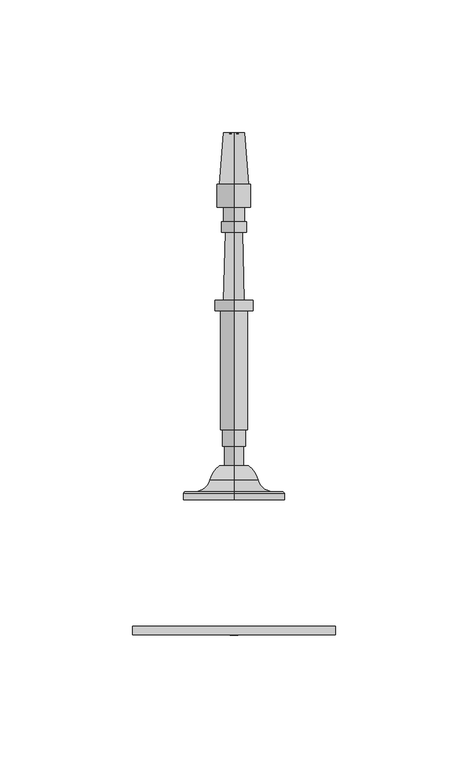
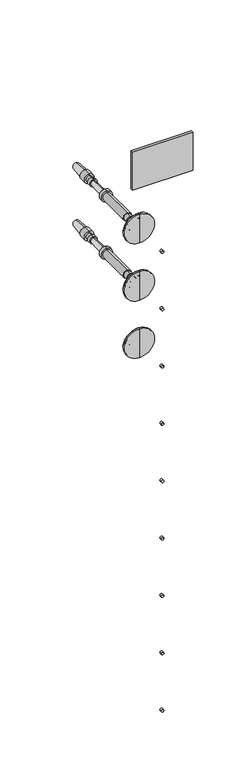
"""IFC4 building model written with IfcOpenShell, lengths in millimetres: railing geometry."""

from ifc_helpers import new_model, si_unit, point, frame, frame_2d, origin, place, context, project, spatial, polyline, circle_curve, ellipse_curve, trimmed, segment, composite_curve, outline, extrude, source, transform, mapped, element, save
from ifc_brep_helpers import plane_surface, cylinder_surface, revolved_surface, advanced_brep


def railing_0356c640(model_context):
    return source(origin(), model_context, "Body", "SolidModel", [
        extrude(outline(polyline([(4135.5568095, 16704.7487645), (4059.3568095, 16704.7487645), (4059.3568095, 16707.9237645), (4135.5568095, 16707.9237645), (4135.5568095, 16704.7487645)])), frame((0.0, 0.0, 33390.9789063), z_axis=(0.0, 0.0, 1.0), x_axis=(1.0, 0.0, 0.0)), (0.0, 0.0, 1.0), 50.8),
        extrude(outline(composite_curve([segment(trimmed(circle_curve(frame_2d((33295.7289062, 4097.4568095)), 1.5379197), [point((33295.7289062, 4098.9947293))], [point((33295.7289062, 4095.9188898))], False, "CARTESIAN"), True, "CONTINUOUS"), segment(trimmed(circle_curve(frame_2d((33295.7289062, 4097.4568095)), 1.5379197), [point((33295.7289062, 4095.9188898))], [point((33295.7289062, 4098.9947293))], False, "CARTESIAN"), True, "CONTINUOUS")], self_intersect=False)), frame((0.0, 16704.7487645, 0.0), z_axis=(0.0, 1.0, 0.0), x_axis=(0.0, 0.0, 1.0)), (0.0, 0.0, 1.0), 3.175),
        extrude(outline(composite_curve([segment(trimmed(circle_curve(frame_2d((33219.5289063, 4097.4568095)), 1.5379197), [point((33219.5289063, 4098.9947293))], [point((33219.5289063, 4095.9188898))], False, "CARTESIAN"), True, "CONTINUOUS"), segment(trimmed(circle_curve(frame_2d((33219.5289063, 4097.4568095)), 1.5379197), [point((33219.5289063, 4095.9188898))], [point((33219.5289063, 4098.9947293))], False, "CARTESIAN"), True, "CONTINUOUS")], self_intersect=False)), frame((0.0, 16704.7487645, 0.0), z_axis=(0.0, 1.0, 0.0), x_axis=(0.0, 0.0, 1.0)), (0.0, 0.0, 1.0), 3.175),
        extrude(outline(composite_curve([segment(trimmed(circle_curve(frame_2d((33143.3289062, 4097.4568095)), 1.5379197), [point((33143.3289062, 4098.9947293))], [point((33143.3289062, 4095.9188898))], False, "CARTESIAN"), True, "CONTINUOUS"), segment(trimmed(circle_curve(frame_2d((33143.3289062, 4097.4568095)), 1.5379197), [point((33143.3289062, 4095.9188898))], [point((33143.3289062, 4098.9947293))], False, "CARTESIAN"), True, "CONTINUOUS")], self_intersect=False)), frame((0.0, 16704.7487645, 0.0), z_axis=(0.0, 1.0, 0.0), x_axis=(0.0, 0.0, 1.0)), (0.0, 0.0, 1.0), 3.175),
        extrude(outline(composite_curve([segment(trimmed(circle_curve(frame_2d((33067.1289062, 4097.4568095)), 1.5379197), [point((33067.1289062, 4098.9947293))], [point((33067.1289062, 4095.9188898))], False, "CARTESIAN"), True, "CONTINUOUS"), segment(trimmed(circle_curve(frame_2d((33067.1289062, 4097.4568095)), 1.5379197), [point((33067.1289062, 4095.9188898))], [point((33067.1289062, 4098.9947293))], False, "CARTESIAN"), True, "CONTINUOUS")], self_intersect=False)), frame((0.0, 16704.7487645, 0.0), z_axis=(0.0, 1.0, 0.0), x_axis=(0.0, 0.0, 1.0)), (0.0, 0.0, 1.0), 3.175),
        extrude(outline(composite_curve([segment(trimmed(circle_curve(frame_2d((32990.9289062, 4097.4568095)), 1.5379197), [point((32990.9289062, 4098.9947293))], [point((32990.9289062, 4095.9188898))], False, "CARTESIAN"), True, "CONTINUOUS"), segment(trimmed(circle_curve(frame_2d((32990.9289062, 4097.4568095)), 1.5379197), [point((32990.9289062, 4095.9188898))], [point((32990.9289062, 4098.9947293))], False, "CARTESIAN"), True, "CONTINUOUS")], self_intersect=False)), frame((0.0, 16704.7487645, 0.0), z_axis=(0.0, 1.0, 0.0), x_axis=(0.0, 0.0, 1.0)), (0.0, 0.0, 1.0), 3.175),
        extrude(outline(composite_curve([segment(trimmed(circle_curve(frame_2d((32914.7289062, 4097.4568095)), 1.5379197), [point((32914.7289062, 4098.9947293))], [point((32914.7289062, 4095.9188898))], False, "CARTESIAN"), True, "CONTINUOUS"), segment(trimmed(circle_curve(frame_2d((32914.7289062, 4097.4568095)), 1.5379197), [point((32914.7289062, 4095.9188898))], [point((32914.7289062, 4098.9947293))], False, "CARTESIAN"), True, "CONTINUOUS")], self_intersect=False)), frame((0.0, 16704.7487645, 0.0), z_axis=(0.0, 1.0, 0.0), x_axis=(0.0, 0.0, 1.0)), (0.0, 0.0, 1.0), 3.175),
        extrude(outline(composite_curve([segment(trimmed(circle_curve(frame_2d((32838.5289063, 4097.4568095)), 1.5379197), [point((32838.5289063, 4098.9947293))], [point((32838.5289063, 4095.9188898))], False, "CARTESIAN"), True, "CONTINUOUS"), segment(trimmed(circle_curve(frame_2d((32838.5289063, 4097.4568095)), 1.5379197), [point((32838.5289063, 4095.9188898))], [point((32838.5289063, 4098.9947293))], False, "CARTESIAN"), True, "CONTINUOUS")], self_intersect=False)), frame((0.0, 16704.7487645, 0.0), z_axis=(0.0, 1.0, 0.0), x_axis=(0.0, 0.0, 1.0)), (0.0, 0.0, 1.0), 3.175),
        extrude(outline(composite_curve([segment(trimmed(circle_curve(frame_2d((32762.3289062, 4097.4568095)), 1.5379197), [point((32762.3289062, 4098.9947293))], [point((32762.3289062, 4095.9188898))], False, "CARTESIAN"), True, "CONTINUOUS"), segment(trimmed(circle_curve(frame_2d((32762.3289062, 4097.4568095)), 1.5379197), [point((32762.3289062, 4095.9188898))], [point((32762.3289062, 4098.9947293))], False, "CARTESIAN"), True, "CONTINUOUS")], self_intersect=False)), frame((0.0, 16704.7487645, 0.0), z_axis=(0.0, 1.0, 0.0), x_axis=(0.0, 0.0, 1.0)), (0.0, 0.0, 1.0), 3.175),
        extrude(outline(composite_curve([segment(trimmed(circle_curve(frame_2d((32686.1289062, 4097.4568095)), 1.5379197), [point((32686.1289062, 4098.9947293))], [point((32686.1289062, 4095.9188898))], False, "CARTESIAN"), True, "CONTINUOUS"), segment(trimmed(circle_curve(frame_2d((32686.1289062, 4097.4568095)), 1.5379197), [point((32686.1289062, 4095.9188898))], [point((32686.1289062, 4098.9947293))], False, "CARTESIAN"), True, "CONTINUOUS")], self_intersect=False)), frame((0.0, 16704.7487645, 0.0), z_axis=(0.0, 1.0, 0.0), x_axis=(0.0, 0.0, 1.0)), (0.0, 0.0, 1.0), 3.175),
        advanced_brep(
        [(4097.4568095, 16755.5660637, 33296.0001631), (4097.4568095, 16755.5660637, 33315.0501631), (4097.4568095, 16755.5660637, 33276.9501631), (4097.4568095, 16768.2587003, 33290.4769785), (4097.4568095, 16768.2587003, 33301.5233478), (4097.4568095, 16768.2587003, 33296.0001631), (4097.4568095, 16762.9826039, 33286.8720381), (4097.4568095, 16762.9826039, 33305.1282881), (4097.4568095, 16758.6169789, 33281.2458254), (4097.4568095, 16758.6169789, 33310.7545009), (4097.4568095, 16758.6169789, 33277.3762941), (4097.4568095, 16758.6169789, 33314.6240321), (4097.4568095, 16757.9473137, 33276.9501631), (4097.4568095, 16757.9473137, 33315.0501631)],
        [
            (0, 1),
            (1, 2, circle_curve(frame((4097.4568095, 16755.5660637, 33296.0001631), z_axis=(0.0, -1.0, 0.0), x_axis=(0.0, 0.0, 1.0)), 19.05)),
            (2, 0),
            (2, 1, circle_curve(frame((4097.4568095, 16755.5660637, 33296.0001631), z_axis=(0.0, -1.0, 0.0), x_axis=(0.0, 0.0, 1.0)), 19.05)),
            (3, 4, circle_curve(frame((4097.4568095, 16768.2587003, 33296.0001631), z_axis=(0.0, 1.0, 0.0), x_axis=(0.0, 0.0, 1.0)), 5.5231846)),
            (4, 5),
            (5, 3),
            (4, 3, circle_curve(frame((4097.4568095, 16768.2587003, 33296.0001631), z_axis=(0.0, 1.0, 0.0), x_axis=(0.0, 0.0, 1.0)), 5.5231846)),
            (6, 7, circle_curve(frame((4097.4568095, 16762.9826039, 33296.0001631), z_axis=(0.0, 1.0, 0.0), x_axis=(0.0, 0.0, 1.0)), 9.128125)),
            (7, 4, circle_curve(frame((4097.4568095, 16760.6581952, 33296.0628958), z_axis=(-1.0, 0.0, 0.0), x_axis=(0.0, 1.0, 0.0)), 9.3586438)),
            (3, 6, circle_curve(frame((4097.4568095, 16760.6581952, 33295.9374304), z_axis=(-1.0, 0.0, 0.0), x_axis=(0.0, 1.0, 0.0)), 9.3586438)),
            (7, 6, circle_curve(frame((4097.4568095, 16762.9826039, 33296.0001631), z_axis=(0.0, 1.0, 0.0), x_axis=(0.0, 0.0, 1.0)), 9.128125)),
            (8, 9, circle_curve(frame((4097.4568095, 16758.6169789, 33296.0001631), z_axis=(0.0, 1.0, 0.0), x_axis=(0.0, 0.0, 1.0)), 14.7543378)),
            (9, 7, circle_curve(frame((4097.4568095, 16764.4251909, 33310.7545009), z_axis=(1.0, 0.0, 0.0), x_axis=(0.0, 1.0, 0.0)), 5.8082121)),
            (6, 8, circle_curve(frame((4097.4568095, 16764.4251909, 33281.2458254), z_axis=(1.0, 0.0, 0.0), x_axis=(0.0, 1.0, 0.0)), 5.8082121)),
            (9, 8, circle_curve(frame((4097.4568095, 16758.6169789, 33296.0001631), z_axis=(0.0, 1.0, 0.0), x_axis=(0.0, 0.0, 1.0)), 14.7543378)),
            (10, 11, circle_curve(frame((4097.4568095, 16758.6169789, 33296.0001631), z_axis=(0.0, 1.0, 0.0), x_axis=(0.0, 0.0, 1.0)), 18.623869)),
            (11, 9),
            (8, 10),
            (11, 10, circle_curve(frame((4097.4568095, 16758.6169789, 33296.0001631), z_axis=(0.0, 1.0, 0.0), x_axis=(0.0, 0.0, 1.0)), 18.623869)),
            (12, 13, circle_curve(frame((4097.4568095, 16757.9473137, 33296.0001631), z_axis=(0.0, 1.0, 0.0), x_axis=(0.0, 0.0, 1.0)), 19.05)),
            (13, 11),
            (10, 12),
            (13, 12, circle_curve(frame((4097.4568095, 16757.9473137, 33296.0001631), z_axis=(0.0, 1.0, 0.0), x_axis=(0.0, 0.0, 1.0)), 19.05)),
            (1, 13),
            (12, 2),
        ],
        [
            plane_surface(frame((4097.4568095, 16755.5660637, 33296.0001631), z_axis=(0.0, -1.0, 0.0), x_axis=(0.0, 0.0, 1.0))),
            plane_surface(frame((4097.4568095, 16768.2587003, 33296.0001631), z_axis=(0.0, 1.0, 0.0), x_axis=(0.0, 0.0, 1.0))),
            revolved_surface(trimmed(ellipse_curve(frame((4097.4568095, 16760.6581952, 33296.0628958), z_axis=(1.0, 0.0, 0.0), x_axis=(0.0, 1.0, 0.0)), 9.3586438, 9.3586438), [point((4097.4568095, 16768.2587003, 33301.5233478))], [point((4097.4568095, 16762.9826039, 33305.1282881))], True, "CARTESIAN"), (4097.4568095, 16755.5660637, 33296.0001631), (0.0, -1.0, 0.0)),
            revolved_surface(trimmed(ellipse_curve(frame((4097.4568095, 16764.4251909, 33310.7545009), z_axis=(-1.0, 0.0, 0.0), x_axis=(0.0, 1.0, 0.0)), 5.8082121, 5.8082121), [point((4097.4568095, 16762.9826039, 33305.1282881))], [point((4097.4568095, 16758.6169789, 33310.7545009))], True, "CARTESIAN"), (4097.4568095, 16755.5660637, 33296.0001631), (0.0, -1.0, 0.0)),
            plane_surface(frame((4097.4568095, 16758.6169789, 33296.0001631), z_axis=(0.0, 1.0, 0.0), x_axis=(0.0, 0.0, 1.0))),
            revolved_surface(polyline([(4097.4568095, 16758.6169789, 33314.6240321), (4097.4568095, 16757.9473137, 33315.0501631)]), (4097.4568095, 16755.5660637, 33296.0001631), (0.0, -1.0, 0.0)),
            cylinder_surface(frame((4097.4568095, 16755.5660637, 33296.0001631), z_axis=(0.0, -1.0, 0.0), x_axis=(0.0, 0.0, 1.0)), 19.05),
        ],
        [
            (0, [[1, 2, 3]]),
            (0, [[-3, 4, -1]]),
            (1, [[5, 6, 7]]),
            (1, [[8, -7, -6]]),
            (2, [[9, 10, -5, 11]]),
            (2, [[12, -11, -8, -10]]),
            (3, [[13, 14, -9, 15]]),
            (3, [[16, -15, -12, -14]]),
            (4, [[17, 18, -13, 19]]),
            (4, [[20, -19, -16, -18]]),
            (5, [[21, 22, -17, 23]]),
            (5, [[24, -23, -20, -22]]),
            (6, [[-2, 25, -21, 26]]),
            (6, [[-4, -26, -24, -25]]),
        ],
    ),
        advanced_brep(
        [(4097.4568095, 16768.2587003, 33292.4282881), (4097.4568095, 16768.2587003, 33296.0001631), (4097.4568095, 16768.2587003, 33299.5720381), (4097.4568095, 16893.2025896, 33296.0001631), (4097.4568095, 16893.4982539, 33291.9757028), (4097.4568095, 16893.4982539, 33300.0246235), (4097.4568095, 16874.1548899, 33290.5546072), (4097.4568095, 16874.1548899, 33301.445719), (4097.4568095, 16874.1548899, 33289.6616385), (4097.4568095, 16874.1548899, 33302.3386877), (4097.4568095, 16865.5228587, 33289.6616385), (4097.4568095, 16865.5228587, 33302.3386877), (4097.4568095, 16865.5228587, 33292.0428885), (4097.4568095, 16865.5228587, 33299.9574377), (4097.4568095, 16860.1650462, 33292.0428885), (4097.4568095, 16860.1650462, 33299.9574377), (4097.4568095, 16860.1650462, 33291.2491385), (4097.4568095, 16860.1650462, 33300.7511877), (4097.4568095, 16856.0970774, 33291.2491385), (4097.4568095, 16856.0970774, 33300.7511877), (4097.4568095, 16856.0529903, 33292.8360262), (4097.4568095, 16856.0529903, 33299.1643), (4097.4568095, 16830.6627871, 33292.1306319), (4097.4568095, 16830.6627871, 33299.8696944), (4097.4568095, 16830.6627871, 33288.8564131), (4097.4568095, 16830.6627871, 33303.1439131), (4097.4568095, 16826.6940371, 33288.8564131), (4097.4568095, 16826.6940371, 33303.1439131), (4097.4568095, 16826.6940371, 33290.8407881), (4097.4568095, 16826.6940371, 33301.1595381), (4097.4568095, 16781.9463808, 33290.8407881), (4097.4568095, 16781.9463808, 33301.1595381), (4097.4568095, 16781.9463808, 33291.6345381), (4097.4568095, 16781.9463808, 33300.3657881), (4097.4568095, 16775.5963808, 33291.6345381), (4097.4568095, 16775.5963808, 33300.3657881), (4097.4568095, 16775.5963808, 33292.4282881), (4097.4568095, 16775.5963808, 33299.5720381)],
        [
            (0, 1),
            (1, 2),
            (2, 0, circle_curve(frame((4097.4568095, 16768.2587003, 33296.0001631), z_axis=(0.0, -1.0, 0.0), x_axis=(0.0, 0.0, 1.0000000000000002)), 3.571875)),
            (0, 2, circle_curve(frame((4097.4568095, 16768.2587003, 33296.0001631), z_axis=(0.0, -1.0, 0.0), x_axis=(0.0, 0.0, 1.0000000000000002)), 3.571875)),
            (3, 4),
            (4, 5, circle_curve(frame((4097.4568095, 16893.4982539, 33296.0001631), z_axis=(0.0, 1.0, 0.0), x_axis=(0.0, 0.0, 1.0000000000000002)), 4.0244604)),
            (5, 3),
            (5, 4, circle_curve(frame((4097.4568095, 16893.4982539, 33296.0001631), z_axis=(0.0, 1.0, 0.0), x_axis=(0.0, 0.0, 1.0000000000000002)), 4.0244604)),
            (4, 6),
            (6, 7, circle_curve(frame((4097.4568095, 16874.1548899, 33296.0001631), z_axis=(0.0, 1.0, 0.0), x_axis=(0.0, 0.0, 1.0000000000000002)), 5.4455559)),
            (7, 5),
            (7, 6, circle_curve(frame((4097.4568095, 16874.1548899, 33296.0001631), z_axis=(0.0, 1.0, 0.0), x_axis=(0.0, 0.0, 1.0000000000000002)), 5.4455559)),
            (6, 8),
            (8, 9, circle_curve(frame((4097.4568095, 16874.1548899, 33296.0001631), z_axis=(0.0, 1.0, 0.0), x_axis=(0.0, 0.0, 1.0000000000000002)), 6.3385246)),
            (9, 7),
            (9, 8, circle_curve(frame((4097.4568095, 16874.1548899, 33296.0001631), z_axis=(0.0, 1.0, 0.0), x_axis=(0.0, 0.0, 1.0000000000000002)), 6.3385246)),
            (8, 10),
            (10, 11, circle_curve(frame((4097.4568095, 16865.5228587, 33296.0001631), z_axis=(0.0, 1.0, 0.0), x_axis=(0.0, 0.0, 1.0000000000000002)), 6.3385246)),
            (11, 9),
            (11, 10, circle_curve(frame((4097.4568095, 16865.5228587, 33296.0001631), z_axis=(0.0, 1.0, 0.0), x_axis=(0.0, 0.0, 1.0000000000000002)), 6.3385246)),
            (10, 12),
            (12, 13, circle_curve(frame((4097.4568095, 16865.5228587, 33296.0001631), z_axis=(0.0, 1.0, 0.0), x_axis=(0.0, 0.0, 1.0000000000000002)), 3.9572746)),
            (13, 11),
            (13, 12, circle_curve(frame((4097.4568095, 16865.5228587, 33296.0001631), z_axis=(0.0, 1.0, 0.0), x_axis=(0.0, 0.0, 1.0000000000000002)), 3.9572746)),
            (12, 14),
            (14, 15, circle_curve(frame((4097.4568095, 16860.1650462, 33296.0001631), z_axis=(0.0, 1.0, 0.0), x_axis=(0.0, 0.0, 1.0000000000000002)), 3.9572746)),
            (15, 13),
            (15, 14, circle_curve(frame((4097.4568095, 16860.1650462, 33296.0001631), z_axis=(0.0, 1.0, 0.0), x_axis=(0.0, 0.0, 1.0000000000000002)), 3.9572746)),
            (14, 16),
            (16, 17, circle_curve(frame((4097.4568095, 16860.1650462, 33296.0001631), z_axis=(0.0, 1.0, 0.0), x_axis=(0.0, 0.0, 1.0000000000000002)), 4.7510246)),
            (17, 15),
            (17, 16, circle_curve(frame((4097.4568095, 16860.1650462, 33296.0001631), z_axis=(0.0, 1.0, 0.0), x_axis=(0.0, 0.0, 1.0000000000000002)), 4.7510246)),
            (16, 18),
            (18, 19, circle_curve(frame((4097.4568095, 16856.0970774, 33296.0001631), z_axis=(0.0, 1.0, 0.0), x_axis=(0.0, 0.0, 1.0000000000000002)), 4.7510246)),
            (19, 17),
            (19, 18, circle_curve(frame((4097.4568095, 16856.0970774, 33296.0001631), z_axis=(0.0, 1.0, 0.0), x_axis=(0.0, 0.0, 1.0000000000000002)), 4.7510246)),
            (18, 20),
            (20, 21, circle_curve(frame((4097.4568095, 16856.0529903, 33296.0001631), z_axis=(0.0, 1.0, 0.0), x_axis=(0.0, 0.0, 1.0000000000000002)), 3.1641369)),
            (21, 19),
            (21, 20, circle_curve(frame((4097.4568095, 16856.0529903, 33296.0001631), z_axis=(0.0, 1.0, 0.0), x_axis=(0.0, 0.0, 1.0000000000000002)), 3.1641369)),
            (20, 22),
            (22, 23, circle_curve(frame((4097.4568095, 16830.6627871, 33296.0001631), z_axis=(0.0, 1.0, 0.0), x_axis=(0.0, 0.0, 1.0000000000000002)), 3.8695313)),
            (23, 21),
            (23, 22, circle_curve(frame((4097.4568095, 16830.6627871, 33296.0001631), z_axis=(0.0, 1.0, 0.0), x_axis=(0.0, 0.0, 1.0000000000000002)), 3.8695313)),
            (22, 24),
            (24, 25, circle_curve(frame((4097.4568095, 16830.6627871, 33296.0001631), z_axis=(0.0, 1.0, 0.0), x_axis=(0.0, 0.0, 1.0000000000000002)), 7.14375)),
            (25, 23),
            (25, 24, circle_curve(frame((4097.4568095, 16830.6627871, 33296.0001631), z_axis=(0.0, 1.0, 0.0), x_axis=(0.0, 0.0, 1.0000000000000002)), 7.14375)),
            (24, 26),
            (26, 27, circle_curve(frame((4097.4568095, 16826.6940371, 33296.0001631), z_axis=(0.0, 1.0, 0.0), x_axis=(0.0, 0.0, 1.0000000000000002)), 7.14375)),
            (27, 25),
            (27, 26, circle_curve(frame((4097.4568095, 16826.6940371, 33296.0001631), z_axis=(0.0, 1.0, 0.0), x_axis=(0.0, 0.0, 1.0000000000000002)), 7.14375)),
            (26, 28),
            (28, 29, circle_curve(frame((4097.4568095, 16826.6940371, 33296.0001631), z_axis=(0.0, 1.0, 0.0), x_axis=(0.0, 0.0, 1.0000000000000002)), 5.159375)),
            (29, 27),
            (29, 28, circle_curve(frame((4097.4568095, 16826.6940371, 33296.0001631), z_axis=(0.0, 1.0, 0.0), x_axis=(0.0, 0.0, 1.0000000000000002)), 5.159375)),
            (28, 30),
            (30, 31, circle_curve(frame((4097.4568095, 16781.9463808, 33296.0001631), z_axis=(0.0, 1.0, 0.0), x_axis=(0.0, 0.0, 1.0000000000000002)), 5.159375)),
            (31, 29),
            (31, 30, circle_curve(frame((4097.4568095, 16781.9463808, 33296.0001631), z_axis=(0.0, 1.0, 0.0), x_axis=(0.0, 0.0, 1.0000000000000002)), 5.159375)),
            (30, 32),
            (32, 33, circle_curve(frame((4097.4568095, 16781.9463808, 33296.0001631), z_axis=(0.0, 1.0, 0.0), x_axis=(0.0, 0.0, 1.0000000000000002)), 4.365625)),
            (33, 31),
            (33, 32, circle_curve(frame((4097.4568095, 16781.9463808, 33296.0001631), z_axis=(0.0, 1.0, 0.0), x_axis=(0.0, 0.0, 1.0000000000000002)), 4.365625)),
            (32, 34),
            (34, 35, circle_curve(frame((4097.4568095, 16775.5963808, 33296.0001631), z_axis=(0.0, 1.0, 0.0), x_axis=(0.0, 0.0, 1.0000000000000002)), 4.365625)),
            (35, 33),
            (35, 34, circle_curve(frame((4097.4568095, 16775.5963808, 33296.0001631), z_axis=(0.0, 1.0, 0.0), x_axis=(0.0, 0.0, 1.0000000000000002)), 4.365625)),
            (34, 36),
            (36, 37, circle_curve(frame((4097.4568095, 16775.5963808, 33296.0001631), z_axis=(0.0, 1.0, 0.0), x_axis=(0.0, 0.0, 1.0000000000000002)), 3.571875)),
            (37, 35),
            (37, 36, circle_curve(frame((4097.4568095, 16775.5963808, 33296.0001631), z_axis=(0.0, 1.0, 0.0), x_axis=(0.0, 0.0, 1.0000000000000002)), 3.571875)),
            (36, 0),
            (2, 37),
        ],
        [
            plane_surface(frame((4097.4568095, 16768.2587003, 33296.0001631), z_axis=(0.0, -1.0, 0.0), x_axis=(0.0, 0.0, 1.0))),
            revolved_surface(polyline([(4097.4568095, 16893.4982539, 33300.0246235), (4097.4568095, 16893.2025896, 33296.0001631)]), (4097.4568095, 16893.2025896, 33296.0001631), (0.0, 1.0, 0.0)),
            revolved_surface(polyline([(4097.4568095, 16874.1548899, 33301.445719), (4097.4568095, 16893.4982539, 33300.0246235)]), (4097.4568095, 16893.2025896, 33296.0001631), (0.0, 1.0, 0.0)),
            plane_surface(frame((4097.4568095, 16874.1548899, 33296.0001631), z_axis=(0.0, 1.0, 0.0), x_axis=(0.0, 0.0, 1.0))),
            cylinder_surface(frame((4097.4568095, 16893.2025896, 33296.0001631), z_axis=(0.0, 1.0, 0.0), x_axis=(0.0, 0.0, 1.0000000000000002)), 6.3385246),
            plane_surface(frame((4097.4568095, 16865.5228587, 33296.0001631), z_axis=(0.0, -1.0, 0.0), x_axis=(0.0, 0.0, 1.0))),
            cylinder_surface(frame((4097.4568095, 16893.2025896, 33296.0001631), z_axis=(0.0, 1.0, 0.0), x_axis=(0.0, 0.0, 1.0000000000000002)), 3.9572746),
            plane_surface(frame((4097.4568095, 16860.1650462, 33296.0001631), z_axis=(0.0, 1.0, 0.0), x_axis=(0.0, 0.0, 1.0))),
            cylinder_surface(frame((4097.4568095, 16893.2025896, 33296.0001631), z_axis=(0.0, 1.0, 0.0), x_axis=(0.0, 0.0, 1.0000000000000002)), 4.7510246),
            plane_surface(frame((4097.4568095, 16856.0529903, 33296.0001631), z_axis=(0.0, -1.0, 0.0), x_axis=(0.0, 0.0, 1.0))),
            revolved_surface(polyline([(4097.4568095, 16830.6627871, 33299.8696944), (4097.4568095, 16856.0529903, 33299.1643)]), (4097.4568095, 16893.2025896, 33296.0001631), (0.0, 1.0, 0.0)),
            plane_surface(frame((4097.4568095, 16830.6627871, 33296.0001631), z_axis=(0.0, 1.0, 0.0), x_axis=(0.0, 0.0, 1.0))),
            cylinder_surface(frame((4097.4568095, 16893.2025896, 33296.0001631), z_axis=(0.0, 1.0, 0.0), x_axis=(0.0, 0.0, 1.0000000000000002)), 7.14375),
            plane_surface(frame((4097.4568095, 16826.6940371, 33296.0001631), z_axis=(0.0, -1.0, 0.0), x_axis=(0.0, 0.0, 1.0))),
            cylinder_surface(frame((4097.4568095, 16893.2025896, 33296.0001631), z_axis=(0.0, 1.0, 0.0), x_axis=(0.0, 0.0, 1.0000000000000002)), 5.159375),
            plane_surface(frame((4097.4568095, 16781.9463808, 33296.0001631), z_axis=(0.0, -1.0, 0.0), x_axis=(0.0, 0.0, 1.0))),
            cylinder_surface(frame((4097.4568095, 16893.2025896, 33296.0001631), z_axis=(0.0, 1.0, 0.0), x_axis=(0.0, 0.0, 1.0000000000000002)), 4.365625),
            plane_surface(frame((4097.4568095, 16775.5963808, 33296.0001631), z_axis=(0.0, -1.0, 0.0), x_axis=(0.0, 0.0, 1.0))),
            cylinder_surface(frame((4097.4568095, 16893.2025896, 33296.0001631), z_axis=(0.0, 1.0, 0.0), x_axis=(0.0, 0.0, 1.0000000000000002)), 3.571875),
        ],
        [
            (0, [[1, 2, 3]]),
            (0, [[-2, -1, 4]]),
            (1, [[5, 6, 7]]),
            (1, [[-7, 8, -5]]),
            (2, [[9, 10, 11, -6]]),
            (2, [[-11, 12, -9, -8]]),
            (3, [[13, 14, 15, -10]]),
            (3, [[-15, 16, -13, -12]]),
            (4, [[17, 18, 19, -14]]),
            (4, [[-19, 20, -17, -16]]),
            (5, [[21, 22, 23, -18]]),
            (5, [[-23, 24, -21, -20]]),
            (6, [[25, 26, 27, -22]]),
            (6, [[-27, 28, -25, -24]]),
            (7, [[29, 30, 31, -26]]),
            (7, [[-31, 32, -29, -28]]),
            (8, [[33, 34, 35, -30]]),
            (8, [[-35, 36, -33, -32]]),
            (9, [[37, 38, 39, -34]]),
            (9, [[-39, 40, -37, -36]]),
            (10, [[41, 42, 43, -38]]),
            (10, [[-43, 44, -41, -40]]),
            (11, [[45, 46, 47, -42]]),
            (11, [[-47, 48, -45, -44]]),
            (12, [[49, 50, 51, -46]]),
            (12, [[-51, 52, -49, -48]]),
            (13, [[53, 54, 55, -50]]),
            (13, [[-55, 56, -53, -52]]),
            (14, [[57, 58, 59, -54]]),
            (14, [[-59, 60, -57, -56]]),
            (15, [[61, 62, 63, -58]]),
            (15, [[-63, 64, -61, -60]]),
            (16, [[65, 66, 67, -62]]),
            (16, [[-67, 68, -65, -64]]),
            (17, [[69, 70, 71, -66]]),
            (17, [[-71, 72, -69, -68]]),
            (18, [[73, -3, 74, -70]]),
            (18, [[-74, -4, -73, -72]]),
        ],
    ),
        advanced_brep(
        [(4097.4568095, 16755.5660637, 33219.8001631), (4097.4568095, 16755.5660637, 33238.8501631), (4097.4568095, 16755.5660637, 33200.7501631), (4097.4568095, 16768.2587003, 33214.2769785), (4097.4568095, 16768.2587003, 33225.3233478), (4097.4568095, 16768.2587003, 33219.8001631), (4097.4568095, 16762.9826039, 33210.6720381), (4097.4568095, 16762.9826039, 33228.9282881), (4097.4568095, 16758.6169789, 33205.0458254), (4097.4568095, 16758.6169789, 33234.5545009), (4097.4568095, 16758.6169789, 33201.1762941), (4097.4568095, 16758.6169789, 33238.4240321), (4097.4568095, 16757.9473137, 33200.7501631), (4097.4568095, 16757.9473137, 33238.8501631)],
        [
            (0, 1),
            (1, 2, circle_curve(frame((4097.4568095, 16755.5660637, 33219.8001631), z_axis=(0.0, -1.0, 0.0), x_axis=(0.0, 0.0, 1.0)), 19.05)),
            (2, 0),
            (2, 1, circle_curve(frame((4097.4568095, 16755.5660637, 33219.8001631), z_axis=(0.0, -1.0, 0.0), x_axis=(0.0, 0.0, 1.0)), 19.05)),
            (3, 4, circle_curve(frame((4097.4568095, 16768.2587003, 33219.8001631), z_axis=(0.0, 1.0, 0.0), x_axis=(0.0, 0.0, 1.0)), 5.5231846)),
            (4, 5),
            (5, 3),
            (4, 3, circle_curve(frame((4097.4568095, 16768.2587003, 33219.8001631), z_axis=(0.0, 1.0, 0.0), x_axis=(0.0, 0.0, 1.0)), 5.5231846)),
            (6, 7, circle_curve(frame((4097.4568095, 16762.9826039, 33219.8001631), z_axis=(0.0, 1.0, 0.0), x_axis=(0.0, 0.0, 1.0)), 9.128125)),
            (7, 4, circle_curve(frame((4097.4568095, 16760.6581952, 33219.8628958), z_axis=(-1.0, 0.0, 0.0), x_axis=(0.0, 1.0, 0.0)), 9.3586438)),
            (3, 6, circle_curve(frame((4097.4568095, 16760.6581952, 33219.7374304), z_axis=(-1.0, 0.0, 0.0), x_axis=(0.0, 1.0, 0.0)), 9.3586438)),
            (7, 6, circle_curve(frame((4097.4568095, 16762.9826039, 33219.8001631), z_axis=(0.0, 1.0, 0.0), x_axis=(0.0, 0.0, 1.0)), 9.128125)),
            (8, 9, circle_curve(frame((4097.4568095, 16758.6169789, 33219.8001631), z_axis=(0.0, 1.0, 0.0), x_axis=(0.0, 0.0, 1.0)), 14.7543378)),
            (9, 7, circle_curve(frame((4097.4568095, 16764.4251909, 33234.5545009), z_axis=(1.0, 0.0, 0.0), x_axis=(0.0, 1.0, 0.0)), 5.8082121)),
            (6, 8, circle_curve(frame((4097.4568095, 16764.4251909, 33205.0458254), z_axis=(1.0, 0.0, 0.0), x_axis=(0.0, 1.0, 0.0)), 5.8082121)),
            (9, 8, circle_curve(frame((4097.4568095, 16758.6169789, 33219.8001631), z_axis=(0.0, 1.0, 0.0), x_axis=(0.0, 0.0, 1.0)), 14.7543378)),
            (10, 11, circle_curve(frame((4097.4568095, 16758.6169789, 33219.8001631), z_axis=(0.0, 1.0, 0.0), x_axis=(0.0, 0.0, 1.0)), 18.623869)),
            (11, 9),
            (8, 10),
            (11, 10, circle_curve(frame((4097.4568095, 16758.6169789, 33219.8001631), z_axis=(0.0, 1.0, 0.0), x_axis=(0.0, 0.0, 1.0)), 18.623869)),
            (12, 13, circle_curve(frame((4097.4568095, 16757.9473137, 33219.8001631), z_axis=(0.0, 1.0, 0.0), x_axis=(0.0, 0.0, 1.0)), 19.05)),
            (13, 11),
            (10, 12),
            (13, 12, circle_curve(frame((4097.4568095, 16757.9473137, 33219.8001631), z_axis=(0.0, 1.0, 0.0), x_axis=(0.0, 0.0, 1.0)), 19.05)),
            (1, 13),
            (12, 2),
        ],
        [
            plane_surface(frame((4097.4568095, 16755.5660637, 33219.8001631), z_axis=(0.0, -1.0, 0.0), x_axis=(0.0, 0.0, 1.0))),
            plane_surface(frame((4097.4568095, 16768.2587003, 33219.8001631), z_axis=(0.0, 1.0, 0.0), x_axis=(0.0, 0.0, 1.0))),
            revolved_surface(trimmed(ellipse_curve(frame((4097.4568095, 16760.6581952, 33219.8628958), z_axis=(1.0, 0.0, 0.0), x_axis=(0.0, 1.0, 0.0)), 9.3586438, 9.3586438), [point((4097.4568095, 16768.2587003, 33225.3233478))], [point((4097.4568095, 16762.9826039, 33228.9282881))], True, "CARTESIAN"), (4097.4568095, 16755.5660637, 33219.8001631), (0.0, -1.0, 0.0)),
            revolved_surface(trimmed(ellipse_curve(frame((4097.4568095, 16764.4251909, 33234.5545009), z_axis=(-1.0, 0.0, 0.0), x_axis=(0.0, 1.0, 0.0)), 5.8082121, 5.8082121), [point((4097.4568095, 16762.9826039, 33228.9282881))], [point((4097.4568095, 16758.6169789, 33234.5545009))], True, "CARTESIAN"), (4097.4568095, 16755.5660637, 33219.8001631), (0.0, -1.0, 0.0)),
            plane_surface(frame((4097.4568095, 16758.6169789, 33219.8001631), z_axis=(0.0, 1.0, 0.0), x_axis=(0.0, 0.0, 1.0))),
            revolved_surface(polyline([(4097.4568095, 16758.6169789, 33238.4240321), (4097.4568095, 16757.9473137, 33238.8501631)]), (4097.4568095, 16755.5660637, 33219.8001631), (0.0, -1.0, 0.0)),
            cylinder_surface(frame((4097.4568095, 16755.5660637, 33219.8001631), z_axis=(0.0, -1.0, 0.0), x_axis=(0.0, 0.0, 1.0)), 19.05),
        ],
        [
            (0, [[1, 2, 3]]),
            (0, [[-3, 4, -1]]),
            (1, [[5, 6, 7]]),
            (1, [[8, -7, -6]]),
            (2, [[9, 10, -5, 11]]),
            (2, [[12, -11, -8, -10]]),
            (3, [[13, 14, -9, 15]]),
            (3, [[16, -15, -12, -14]]),
            (4, [[17, 18, -13, 19]]),
            (4, [[20, -19, -16, -18]]),
            (5, [[21, 22, -17, 23]]),
            (5, [[24, -23, -20, -22]]),
            (6, [[-2, 25, -21, 26]]),
            (6, [[-4, -26, -24, -25]]),
        ],
    ),
        advanced_brep(
        [(4097.4568095, 16768.2587003, 33216.2282881), (4097.4568095, 16768.2587003, 33219.8001631), (4097.4568095, 16768.2587003, 33223.3720381), (4097.4568095, 16893.2025896, 33219.8001631), (4097.4568095, 16893.4982539, 33215.7757028), (4097.4568095, 16893.4982539, 33223.8246235), (4097.4568095, 16874.1548899, 33214.3546072), (4097.4568095, 16874.1548899, 33225.245719), (4097.4568095, 16874.1548899, 33213.4616385), (4097.4568095, 16874.1548899, 33226.1386877), (4097.4568095, 16865.5228587, 33213.4616385), (4097.4568095, 16865.5228587, 33226.1386877), (4097.4568095, 16865.5228587, 33215.8428885), (4097.4568095, 16865.5228587, 33223.7574377), (4097.4568095, 16860.1650462, 33215.8428885), (4097.4568095, 16860.1650462, 33223.7574377), (4097.4568095, 16860.1650462, 33215.0491385), (4097.4568095, 16860.1650462, 33224.5511877), (4097.4568095, 16856.0970774, 33215.0491385), (4097.4568095, 16856.0970774, 33224.5511877), (4097.4568095, 16856.0529903, 33216.6360262), (4097.4568095, 16856.0529903, 33222.9643), (4097.4568095, 16830.6627871, 33215.9306319), (4097.4568095, 16830.6627871, 33223.6696944), (4097.4568095, 16830.6627871, 33212.6564131), (4097.4568095, 16830.6627871, 33226.9439131), (4097.4568095, 16826.6940371, 33212.6564131), (4097.4568095, 16826.6940371, 33226.9439131), (4097.4568095, 16826.6940371, 33214.6407881), (4097.4568095, 16826.6940371, 33224.9595381), (4097.4568095, 16781.9463808, 33214.6407881), (4097.4568095, 16781.9463808, 33224.9595381), (4097.4568095, 16781.9463808, 33215.4345381), (4097.4568095, 16781.9463808, 33224.1657881), (4097.4568095, 16775.5963808, 33215.4345381), (4097.4568095, 16775.5963808, 33224.1657881), (4097.4568095, 16775.5963808, 33216.2282881), (4097.4568095, 16775.5963808, 33223.3720381)],
        [
            (0, 1),
            (1, 2),
            (2, 0, circle_curve(frame((4097.4568095, 16768.2587003, 33219.8001631), z_axis=(0.0, -1.0, 0.0), x_axis=(0.0, 0.0, 1.0000000000000002)), 3.571875)),
            (0, 2, circle_curve(frame((4097.4568095, 16768.2587003, 33219.8001631), z_axis=(0.0, -1.0, 0.0), x_axis=(0.0, 0.0, 1.0000000000000002)), 3.571875)),
            (3, 4),
            (4, 5, circle_curve(frame((4097.4568095, 16893.4982539, 33219.8001631), z_axis=(0.0, 1.0, 0.0), x_axis=(0.0, 0.0, 1.0000000000000002)), 4.0244604)),
            (5, 3),
            (5, 4, circle_curve(frame((4097.4568095, 16893.4982539, 33219.8001631), z_axis=(0.0, 1.0, 0.0), x_axis=(0.0, 0.0, 1.0000000000000002)), 4.0244604)),
            (4, 6),
            (6, 7, circle_curve(frame((4097.4568095, 16874.1548899, 33219.8001631), z_axis=(0.0, 1.0, 0.0), x_axis=(0.0, 0.0, 1.0000000000000002)), 5.4455559)),
            (7, 5),
            (7, 6, circle_curve(frame((4097.4568095, 16874.1548899, 33219.8001631), z_axis=(0.0, 1.0, 0.0), x_axis=(0.0, 0.0, 1.0000000000000002)), 5.4455559)),
            (6, 8),
            (8, 9, circle_curve(frame((4097.4568095, 16874.1548899, 33219.8001631), z_axis=(0.0, 1.0, 0.0), x_axis=(0.0, 0.0, 1.0000000000000002)), 6.3385246)),
            (9, 7),
            (9, 8, circle_curve(frame((4097.4568095, 16874.1548899, 33219.8001631), z_axis=(0.0, 1.0, 0.0), x_axis=(0.0, 0.0, 1.0000000000000002)), 6.3385246)),
            (8, 10),
            (10, 11, circle_curve(frame((4097.4568095, 16865.5228587, 33219.8001631), z_axis=(0.0, 1.0, 0.0), x_axis=(0.0, 0.0, 1.0000000000000002)), 6.3385246)),
            (11, 9),
            (11, 10, circle_curve(frame((4097.4568095, 16865.5228587, 33219.8001631), z_axis=(0.0, 1.0, 0.0), x_axis=(0.0, 0.0, 1.0000000000000002)), 6.3385246)),
            (10, 12),
            (12, 13, circle_curve(frame((4097.4568095, 16865.5228587, 33219.8001631), z_axis=(0.0, 1.0, 0.0), x_axis=(0.0, 0.0, 1.0000000000000002)), 3.9572746)),
            (13, 11),
            (13, 12, circle_curve(frame((4097.4568095, 16865.5228587, 33219.8001631), z_axis=(0.0, 1.0, 0.0), x_axis=(0.0, 0.0, 1.0000000000000002)), 3.9572746)),
            (12, 14),
            (14, 15, circle_curve(frame((4097.4568095, 16860.1650462, 33219.8001631), z_axis=(0.0, 1.0, 0.0), x_axis=(0.0, 0.0, 1.0000000000000002)), 3.9572746)),
            (15, 13),
            (15, 14, circle_curve(frame((4097.4568095, 16860.1650462, 33219.8001631), z_axis=(0.0, 1.0, 0.0), x_axis=(0.0, 0.0, 1.0000000000000002)), 3.9572746)),
            (14, 16),
            (16, 17, circle_curve(frame((4097.4568095, 16860.1650462, 33219.8001631), z_axis=(0.0, 1.0, 0.0), x_axis=(0.0, 0.0, 1.0000000000000002)), 4.7510246)),
            (17, 15),
            (17, 16, circle_curve(frame((4097.4568095, 16860.1650462, 33219.8001631), z_axis=(0.0, 1.0, 0.0), x_axis=(0.0, 0.0, 1.0000000000000002)), 4.7510246)),
            (16, 18),
            (18, 19, circle_curve(frame((4097.4568095, 16856.0970774, 33219.8001631), z_axis=(0.0, 1.0, 0.0), x_axis=(0.0, 0.0, 1.0000000000000002)), 4.7510246)),
            (19, 17),
            (19, 18, circle_curve(frame((4097.4568095, 16856.0970774, 33219.8001631), z_axis=(0.0, 1.0, 0.0), x_axis=(0.0, 0.0, 1.0000000000000002)), 4.7510246)),
            (18, 20),
            (20, 21, circle_curve(frame((4097.4568095, 16856.0529903, 33219.8001631), z_axis=(0.0, 1.0, 0.0), x_axis=(0.0, 0.0, 1.0000000000000002)), 3.1641369)),
            (21, 19),
            (21, 20, circle_curve(frame((4097.4568095, 16856.0529903, 33219.8001631), z_axis=(0.0, 1.0, 0.0), x_axis=(0.0, 0.0, 1.0000000000000002)), 3.1641369)),
            (20, 22),
            (22, 23, circle_curve(frame((4097.4568095, 16830.6627871, 33219.8001631), z_axis=(0.0, 1.0, 0.0), x_axis=(0.0, 0.0, 1.0000000000000002)), 3.8695313)),
            (23, 21),
            (23, 22, circle_curve(frame((4097.4568095, 16830.6627871, 33219.8001631), z_axis=(0.0, 1.0, 0.0), x_axis=(0.0, 0.0, 1.0000000000000002)), 3.8695313)),
            (22, 24),
            (24, 25, circle_curve(frame((4097.4568095, 16830.6627871, 33219.8001631), z_axis=(0.0, 1.0, 0.0), x_axis=(0.0, 0.0, 1.0000000000000002)), 7.14375)),
            (25, 23),
            (25, 24, circle_curve(frame((4097.4568095, 16830.6627871, 33219.8001631), z_axis=(0.0, 1.0, 0.0), x_axis=(0.0, 0.0, 1.0000000000000002)), 7.14375)),
            (24, 26),
            (26, 27, circle_curve(frame((4097.4568095, 16826.6940371, 33219.8001631), z_axis=(0.0, 1.0, 0.0), x_axis=(0.0, 0.0, 1.0000000000000002)), 7.14375)),
            (27, 25),
            (27, 26, circle_curve(frame((4097.4568095, 16826.6940371, 33219.8001631), z_axis=(0.0, 1.0, 0.0), x_axis=(0.0, 0.0, 1.0000000000000002)), 7.14375)),
            (26, 28),
            (28, 29, circle_curve(frame((4097.4568095, 16826.6940371, 33219.8001631), z_axis=(0.0, 1.0, 0.0), x_axis=(0.0, 0.0, 1.0000000000000002)), 5.159375)),
            (29, 27),
            (29, 28, circle_curve(frame((4097.4568095, 16826.6940371, 33219.8001631), z_axis=(0.0, 1.0, 0.0), x_axis=(0.0, 0.0, 1.0000000000000002)), 5.159375)),
            (28, 30),
            (30, 31, circle_curve(frame((4097.4568095, 16781.9463808, 33219.8001631), z_axis=(0.0, 1.0, 0.0), x_axis=(0.0, 0.0, 1.0000000000000002)), 5.159375)),
            (31, 29),
            (31, 30, circle_curve(frame((4097.4568095, 16781.9463808, 33219.8001631), z_axis=(0.0, 1.0, 0.0), x_axis=(0.0, 0.0, 1.0000000000000002)), 5.159375)),
            (30, 32),
            (32, 33, circle_curve(frame((4097.4568095, 16781.9463808, 33219.8001631), z_axis=(0.0, 1.0, 0.0), x_axis=(0.0, 0.0, 1.0000000000000002)), 4.365625)),
            (33, 31),
            (33, 32, circle_curve(frame((4097.4568095, 16781.9463808, 33219.8001631), z_axis=(0.0, 1.0, 0.0), x_axis=(0.0, 0.0, 1.0000000000000002)), 4.365625)),
            (32, 34),
            (34, 35, circle_curve(frame((4097.4568095, 16775.5963808, 33219.8001631), z_axis=(0.0, 1.0, 0.0), x_axis=(0.0, 0.0, 1.0000000000000002)), 4.365625)),
            (35, 33),
            (35, 34, circle_curve(frame((4097.4568095, 16775.5963808, 33219.8001631), z_axis=(0.0, 1.0, 0.0), x_axis=(0.0, 0.0, 1.0000000000000002)), 4.365625)),
            (34, 36),
            (36, 37, circle_curve(frame((4097.4568095, 16775.5963808, 33219.8001631), z_axis=(0.0, 1.0, 0.0), x_axis=(0.0, 0.0, 1.0000000000000002)), 3.571875)),
            (37, 35),
            (37, 36, circle_curve(frame((4097.4568095, 16775.5963808, 33219.8001631), z_axis=(0.0, 1.0, 0.0), x_axis=(0.0, 0.0, 1.0000000000000002)), 3.571875)),
            (36, 0),
            (2, 37),
        ],
        [
            plane_surface(frame((4097.4568095, 16768.2587003, 33219.8001631), z_axis=(0.0, -1.0, 0.0), x_axis=(0.0, 0.0, 1.0))),
            revolved_surface(polyline([(4097.4568095, 16893.4982539, 33223.8246235), (4097.4568095, 16893.2025896, 33219.8001631)]), (4097.4568095, 16893.2025896, 33219.8001631), (0.0, 1.0, 0.0)),
            revolved_surface(polyline([(4097.4568095, 16874.1548899, 33225.245719), (4097.4568095, 16893.4982539, 33223.8246235)]), (4097.4568095, 16893.2025896, 33219.8001631), (0.0, 1.0, 0.0)),
            plane_surface(frame((4097.4568095, 16874.1548899, 33219.8001631), z_axis=(0.0, 1.0, 0.0), x_axis=(0.0, 0.0, 1.0))),
            cylinder_surface(frame((4097.4568095, 16893.2025896, 33219.8001631), z_axis=(0.0, 1.0, 0.0), x_axis=(0.0, 0.0, 1.0000000000000002)), 6.3385246),
            plane_surface(frame((4097.4568095, 16865.5228587, 33219.8001631), z_axis=(0.0, -1.0, 0.0), x_axis=(0.0, 0.0, 1.0))),
            cylinder_surface(frame((4097.4568095, 16893.2025896, 33219.8001631), z_axis=(0.0, 1.0, 0.0), x_axis=(0.0, 0.0, 1.0000000000000002)), 3.9572746),
            plane_surface(frame((4097.4568095, 16860.1650462, 33219.8001631), z_axis=(0.0, 1.0, 0.0), x_axis=(0.0, 0.0, 1.0))),
            cylinder_surface(frame((4097.4568095, 16893.2025896, 33219.8001631), z_axis=(0.0, 1.0, 0.0), x_axis=(0.0, 0.0, 1.0000000000000002)), 4.7510246),
            plane_surface(frame((4097.4568095, 16856.0529903, 33219.8001631), z_axis=(0.0, -1.0, 0.0), x_axis=(0.0, 0.0, 1.0))),
            revolved_surface(polyline([(4097.4568095, 16830.6627871, 33223.6696944), (4097.4568095, 16856.0529903, 33222.9643)]), (4097.4568095, 16893.2025896, 33219.8001631), (0.0, 1.0, 0.0)),
            plane_surface(frame((4097.4568095, 16830.6627871, 33219.8001631), z_axis=(0.0, 1.0, 0.0), x_axis=(0.0, 0.0, 1.0))),
            cylinder_surface(frame((4097.4568095, 16893.2025896, 33219.8001631), z_axis=(0.0, 1.0, 0.0), x_axis=(0.0, 0.0, 1.0000000000000002)), 7.14375),
            plane_surface(frame((4097.4568095, 16826.6940371, 33219.8001631), z_axis=(0.0, -1.0, 0.0), x_axis=(0.0, 0.0, 1.0))),
            cylinder_surface(frame((4097.4568095, 16893.2025896, 33219.8001631), z_axis=(0.0, 1.0, 0.0), x_axis=(0.0, 0.0, 1.0000000000000002)), 5.159375),
            plane_surface(frame((4097.4568095, 16781.9463808, 33219.8001631), z_axis=(0.0, -1.0, 0.0), x_axis=(0.0, 0.0, 1.0))),
            cylinder_surface(frame((4097.4568095, 16893.2025896, 33219.8001631), z_axis=(0.0, 1.0, 0.0), x_axis=(0.0, 0.0, 1.0000000000000002)), 4.365625),
            plane_surface(frame((4097.4568095, 16775.5963808, 33219.8001631), z_axis=(0.0, -1.0, 0.0), x_axis=(0.0, 0.0, 1.0))),
            cylinder_surface(frame((4097.4568095, 16893.2025896, 33219.8001631), z_axis=(0.0, 1.0, 0.0), x_axis=(0.0, 0.0, 1.0000000000000002)), 3.571875),
        ],
        [
            (0, [[1, 2, 3]]),
            (0, [[-2, -1, 4]]),
            (1, [[5, 6, 7]]),
            (1, [[-7, 8, -5]]),
            (2, [[9, 10, 11, -6]]),
            (2, [[-11, 12, -9, -8]]),
            (3, [[13, 14, 15, -10]]),
            (3, [[-15, 16, -13, -12]]),
            (4, [[17, 18, 19, -14]]),
            (4, [[-19, 20, -17, -16]]),
            (5, [[21, 22, 23, -18]]),
            (5, [[-23, 24, -21, -20]]),
            (6, [[25, 26, 27, -22]]),
            (6, [[-27, 28, -25, -24]]),
            (7, [[29, 30, 31, -26]]),
            (7, [[-31, 32, -29, -28]]),
            (8, [[33, 34, 35, -30]]),
            (8, [[-35, 36, -33, -32]]),
            (9, [[37, 38, 39, -34]]),
            (9, [[-39, 40, -37, -36]]),
            (10, [[41, 42, 43, -38]]),
            (10, [[-43, 44, -41, -40]]),
            (11, [[45, 46, 47, -42]]),
            (11, [[-47, 48, -45, -44]]),
            (12, [[49, 50, 51, -46]]),
            (12, [[-51, 52, -49, -48]]),
            (13, [[53, 54, 55, -50]]),
            (13, [[-55, 56, -53, -52]]),
            (14, [[57, 58, 59, -54]]),
            (14, [[-59, 60, -57, -56]]),
            (15, [[61, 62, 63, -58]]),
            (15, [[-63, 64, -61, -60]]),
            (16, [[65, 66, 67, -62]]),
            (16, [[-67, 68, -65, -64]]),
            (17, [[69, 70, 71, -66]]),
            (17, [[-71, 72, -69, -68]]),
            (18, [[73, -3, 74, -70]]),
            (18, [[-74, -4, -73, -72]]),
        ],
    ),
        advanced_brep(
        [(4097.4568095, 16755.5660637, 33143.6001631), (4097.4568095, 16755.5660637, 33162.6501631), (4097.4568095, 16755.5660637, 33124.5501631), (4097.4568095, 16768.2587003, 33138.0769785), (4097.4568095, 16768.2587003, 33149.1233478), (4097.4568095, 16768.2587003, 33143.6001631), (4097.4568095, 16762.9826039, 33134.4720381), (4097.4568095, 16762.9826039, 33152.7282881), (4097.4568095, 16758.6169789, 33128.8458254), (4097.4568095, 16758.6169789, 33158.3545009), (4097.4568095, 16758.6169789, 33124.9762941), (4097.4568095, 16758.6169789, 33162.2240321), (4097.4568095, 16757.9473137, 33124.5501631), (4097.4568095, 16757.9473137, 33162.6501631)],
        [
            (0, 1),
            (1, 2, circle_curve(frame((4097.4568095, 16755.5660637, 33143.6001631), z_axis=(0.0, -1.0, 0.0), x_axis=(0.0, 0.0, 1.0)), 19.05)),
            (2, 0),
            (2, 1, circle_curve(frame((4097.4568095, 16755.5660637, 33143.6001631), z_axis=(0.0, -1.0, 0.0), x_axis=(0.0, 0.0, 1.0)), 19.05)),
            (3, 4, circle_curve(frame((4097.4568095, 16768.2587003, 33143.6001631), z_axis=(0.0, 1.0, 0.0), x_axis=(0.0, 0.0, 1.0)), 5.5231846)),
            (4, 5),
            (5, 3),
            (4, 3, circle_curve(frame((4097.4568095, 16768.2587003, 33143.6001631), z_axis=(0.0, 1.0, 0.0), x_axis=(0.0, 0.0, 1.0)), 5.5231846)),
            (6, 7, circle_curve(frame((4097.4568095, 16762.9826039, 33143.6001631), z_axis=(0.0, 1.0, 0.0), x_axis=(0.0, 0.0, 1.0)), 9.128125)),
            (7, 4, circle_curve(frame((4097.4568095, 16760.6581952, 33143.6628958), z_axis=(-1.0, 0.0, 0.0), x_axis=(0.0, 1.0, 0.0)), 9.3586438)),
            (3, 6, circle_curve(frame((4097.4568095, 16760.6581952, 33143.5374304), z_axis=(-1.0, 0.0, 0.0), x_axis=(0.0, 1.0, 0.0)), 9.3586438)),
            (7, 6, circle_curve(frame((4097.4568095, 16762.9826039, 33143.6001631), z_axis=(0.0, 1.0, 0.0), x_axis=(0.0, 0.0, 1.0)), 9.128125)),
            (8, 9, circle_curve(frame((4097.4568095, 16758.6169789, 33143.6001631), z_axis=(0.0, 1.0, 0.0), x_axis=(0.0, 0.0, 1.0)), 14.7543378)),
            (9, 7, circle_curve(frame((4097.4568095, 16764.4251909, 33158.3545009), z_axis=(1.0, 0.0, 0.0), x_axis=(0.0, 1.0, 0.0)), 5.8082121)),
            (6, 8, circle_curve(frame((4097.4568095, 16764.4251909, 33128.8458254), z_axis=(1.0, 0.0, 0.0), x_axis=(0.0, 1.0, 0.0)), 5.8082121)),
            (9, 8, circle_curve(frame((4097.4568095, 16758.6169789, 33143.6001631), z_axis=(0.0, 1.0, 0.0), x_axis=(0.0, 0.0, 1.0)), 14.7543378)),
            (10, 11, circle_curve(frame((4097.4568095, 16758.6169789, 33143.6001631), z_axis=(0.0, 1.0, 0.0), x_axis=(0.0, 0.0, 1.0)), 18.623869)),
            (11, 9),
            (8, 10),
            (11, 10, circle_curve(frame((4097.4568095, 16758.6169789, 33143.6001631), z_axis=(0.0, 1.0, 0.0), x_axis=(0.0, 0.0, 1.0)), 18.623869)),
            (12, 13, circle_curve(frame((4097.4568095, 16757.9473137, 33143.6001631), z_axis=(0.0, 1.0, 0.0), x_axis=(0.0, 0.0, 1.0)), 19.05)),
            (13, 11),
            (10, 12),
            (13, 12, circle_curve(frame((4097.4568095, 16757.9473137, 33143.6001631), z_axis=(0.0, 1.0, 0.0), x_axis=(0.0, 0.0, 1.0)), 19.05)),
            (1, 13),
            (12, 2),
        ],
        [
            plane_surface(frame((4097.4568095, 16755.5660637, 33143.6001631), z_axis=(0.0, -1.0, 0.0), x_axis=(0.0, 0.0, 1.0))),
            plane_surface(frame((4097.4568095, 16768.2587003, 33143.6001631), z_axis=(0.0, 1.0, 0.0), x_axis=(0.0, 0.0, 1.0))),
            revolved_surface(trimmed(ellipse_curve(frame((4097.4568095, 16760.6581952, 33143.6628958), z_axis=(1.0, 0.0, 0.0), x_axis=(0.0, 1.0, 0.0)), 9.3586438, 9.3586438), [point((4097.4568095, 16768.2587003, 33149.1233478))], [point((4097.4568095, 16762.9826039, 33152.7282881))], True, "CARTESIAN"), (4097.4568095, 16755.5660637, 33143.6001631), (0.0, -1.0, 0.0)),
            revolved_surface(trimmed(ellipse_curve(frame((4097.4568095, 16764.4251909, 33158.3545009), z_axis=(-1.0, 0.0, 0.0), x_axis=(0.0, 1.0, 0.0)), 5.8082121, 5.8082121), [point((4097.4568095, 16762.9826039, 33152.7282881))], [point((4097.4568095, 16758.6169789, 33158.3545009))], True, "CARTESIAN"), (4097.4568095, 16755.5660637, 33143.6001631), (0.0, -1.0, 0.0)),
            plane_surface(frame((4097.4568095, 16758.6169789, 33143.6001631), z_axis=(0.0, 1.0, 0.0), x_axis=(0.0, 0.0, 1.0))),
            revolved_surface(polyline([(4097.4568095, 16758.6169789, 33162.2240321), (4097.4568095, 16757.9473137, 33162.6501631)]), (4097.4568095, 16755.5660637, 33143.6001631), (0.0, -1.0, 0.0)),
            cylinder_surface(frame((4097.4568095, 16755.5660637, 33143.6001631), z_axis=(0.0, -1.0, 0.0), x_axis=(0.0, 0.0, 1.0)), 19.05),
        ],
        [
            (0, [[1, 2, 3]]),
            (0, [[-3, 4, -1]]),
            (1, [[5, 6, 7]]),
            (1, [[8, -7, -6]]),
            (2, [[9, 10, -5, 11]]),
            (2, [[12, -11, -8, -10]]),
            (3, [[13, 14, -9, 15]]),
            (3, [[16, -15, -12, -14]]),
            (4, [[17, 18, -13, 19]]),
            (4, [[20, -19, -16, -18]]),
            (5, [[21, 22, -17, 23]]),
            (5, [[24, -23, -20, -22]]),
            (6, [[-2, 25, -21, 26]]),
            (6, [[-4, -26, -24, -25]]),
        ],
    ),
    ])


if __name__ == "__main__":
    model = new_model("IFC4")
    model_context = context("Model", 3, world=origin())
    ifc_project = project(units=[si_unit("LENGTHUNIT", "METRE", prefix="MILLI")], contexts=[model_context])
    site = spatial("IfcSite", under=ifc_project)
    building = spatial("IfcBuilding", under=site)
    placement = place(None, origin())
    railing_shape = railing_0356c640(model_context)
    element("IfcRailing", 1, at=placement, inside=building, context=model_context, shape_type="MappedRepresentation", body=[
        mapped(railing_shape, transform((0.0, 0.0, 0.0), x_axis=(1.0, 0.0, 0.0), y_axis=(0.0, 1.0, 0.0), z_axis=(0.0, 0.0, 1.0))),
    ])
    save(model, "model.ifc")
